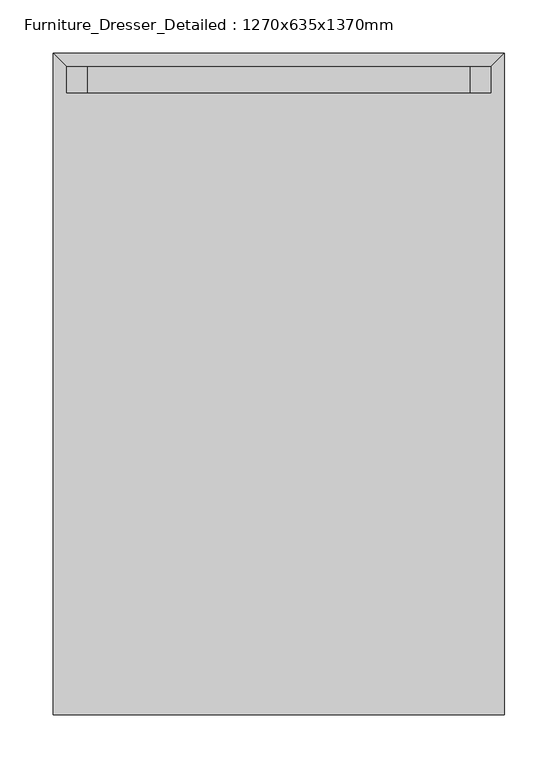
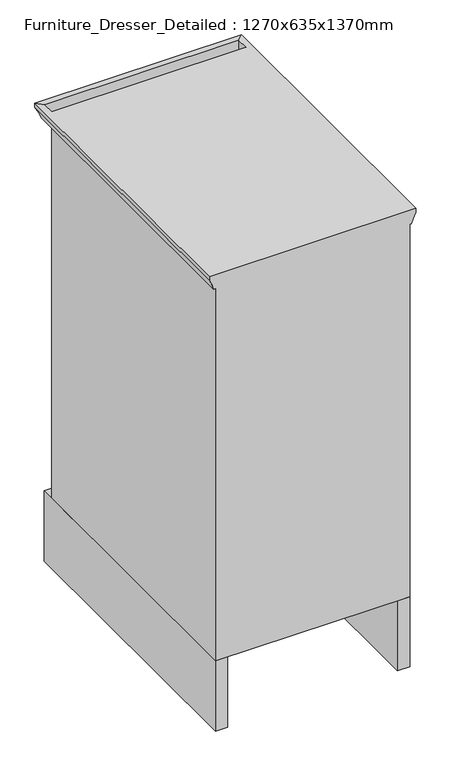
"""IFC4 building model written with IfcOpenShell, lengths in millimetres: furniture geometry, Furniture_Dresser_Detailed : 1270x635x1370mm."""

from ifc_helpers import new_model, si_unit, frame, origin, place, context, project, spatial, polyline, circle_curve, ellipse_curve, outline, extrude, source, transform, mapped, element, save
from ifc_brep_helpers import plane_surface, revolved_surface, advanced_brep


def furniture_dresser_detailed_1270x635x1370mm_f08d7640(model_context):
    return source(origin(), model_context, "Body", "SolidModel", [
        advanced_brep(
        [(-212.3783496, 0.0, 991.6), (-212.3783496, 0.0, 983.1382253), (-203.5695396, 0.0, 961.050287), (-200.0, 0.0, 961.050287), (-200.0, 0.0, 152.4), (200.0, 0.0, 152.4), (200.0, 0.0, 961.050287), (203.5695396, 0.0, 961.050287), (212.3783496, 0.0, 983.1382253), (212.3783496, 0.0, 991.6), (212.3783496, 621.9783496, 991.6), (200.0, 609.6, 991.6), (200.0, 584.2, 991.6), (-200.0, 584.2, 991.6), (-200.0, 609.6, 991.6), (-212.3783496, 621.9783496, 991.6), (200.0, 584.2, 961.050287), (200.0, 609.6, 961.050287), (203.5695396, 613.1695396, 961.050287), (212.3783496, 621.9783496, 983.1382253), (-200.0, 609.6, 961.050287), (-203.5695396, 613.1695396, 961.050287), (-212.3783496, 621.9783496, 983.1382253), (-200.0, 584.2, 961.050287), (200.0, 584.2, 152.4), (-200.0, 584.2, 152.4)],
        [
            (0, 1),
            (1, 2, circle_curve(frame((-274.4164439, 0.0, 945.5965655), z_axis=(0.0, 1.0, 0.0), x_axis=(1.0, 0.0, 0.0)), 72.5127669)),
            (2, 3),
            (3, 4),
            (4, 5),
            (5, 6),
            (6, 7),
            (7, 8, circle_curve(frame((274.4164439, 0.0, 945.5965655), z_axis=(0.0, 1.0, 0.0), x_axis=(-1.0, 0.0, 0.0)), 72.5127669)),
            (8, 9),
            (9, 0),
            (9, 10),
            (10, 11),
            (11, 12),
            (12, 13),
            (13, 14),
            (14, 15),
            (15, 0),
            (6, 16),
            (16, 17),
            (17, 18),
            (18, 7),
            (18, 19, ellipse_curve(frame((274.4164439, 684.0164439, 945.5965655), z_axis=(-0.7071067811865475, 0.7071067811865475, 0.0), x_axis=(0.7071067811865474, 0.7071067811865476, 0.0)), 102.5485383, 72.5127669)),
            (19, 8),
            (19, 10),
            (17, 20),
            (20, 21),
            (21, 18),
            (21, 22, ellipse_curve(frame((-274.4164439, 684.0164439, 945.5965655), z_axis=(-0.7071067811865475, -0.7071067811865475, 0.0), x_axis=(-0.7071067811865476, 0.7071067811865474, 0.0)), 102.5485383, 72.5127669)),
            (22, 19),
            (22, 15),
            (15, 10),
            (20, 23),
            (23, 3),
            (2, 21),
            (1, 22),
            (24, 5),
            (4, 25),
            (25, 24),
            (12, 16),
            (16, 24),
            (25, 23),
            (23, 13),
            (11, 17),
            (14, 11),
            (14, 20),
        ],
        [
            plane_surface(frame((132.4987032, 0.0, 991.6), z_axis=(0.0, -1.0, 0.0), x_axis=(0.0, 0.0, 1.0))),
            plane_surface(frame((212.3783496, 0.0, 991.6), z_axis=(0.0, 0.0, 1.0), x_axis=(0.0, 1.0, 0.0))),
            plane_surface(frame((200.0, 0.0, 961.050287), z_axis=(0.0, 0.0, -1.0), x_axis=(0.0, 1.0, 0.0))),
            revolved_surface(polyline([(201.903677, 756.5292107326984, 945.5965655), (201.903677, 0.0, 945.5965655)]), (274.4164439, 0.0, 945.5965655), (0.0, 1.0, 0.0)),
            plane_surface(frame((212.3783496, 0.0, 983.1382253), z_axis=(1.0, 0.0, 0.0), x_axis=(0.0, 1.0, 0.0))),
            plane_surface(frame((200.0, 609.6, 961.050287), z_axis=(0.0, 0.0, -1.0), x_axis=(-1.0, 0.0, 0.0))),
            revolved_surface(polyline([(-346.9292107326984, 611.503677, 945.5965655), (346.9292107326984, 611.503677, 945.5965655)]), (174.6, 684.0164439, 945.5965655), (-1.0, 0.0, 0.0)),
            plane_surface(frame((212.3783496, 621.9783496, 983.1382253), z_axis=(0.0, 1.0, 0.0), x_axis=(-1.0, 0.0, 0.0))),
            plane_surface(frame((-200.0, 609.6, 961.050287), z_axis=(0.0, 0.0, -1.0), x_axis=(0.0, -1.0, 0.0))),
            revolved_surface(polyline([(-201.903677, 0.0, 945.5965655), (-201.903677, 756.5292107326984, 945.5965655)]), (-274.4164439, 584.2, 945.5965655), (0.0, -1.0, 0.0)),
            plane_surface(frame((-212.3783496, 621.9783496, 983.1382253), z_axis=(-1.0, 0.0, 0.0), x_axis=(0.0, -1.0, 0.0))),
            plane_surface(frame((-584.2, 584.2, 152.4), z_axis=(0.0, 0.0, -1.0), x_axis=(1.0, 0.0, 0.0))),
            plane_surface(frame((200.0, 584.2, 991.6), z_axis=(0.0, 1.0, 0.0), x_axis=(0.0, 0.0, -1.0))),
            plane_surface(frame((-200.0, 584.2, 991.6), z_axis=(-1.0, 0.0, 0.0), x_axis=(0.0, 0.0, -1.0))),
            plane_surface(frame((200.0, 0.0, 991.6), z_axis=(1.0, 0.0, 0.0), x_axis=(0.0, 0.0, -1.0))),
            plane_surface(frame((200.0, 0.0, 991.6), z_axis=(-1.0, 0.0, 0.0), x_axis=(0.0, 1.0, 0.0))),
            plane_surface(frame((212.3783496, 621.9783496, 991.6), z_axis=(0.0, 0.0, 1.0), x_axis=(-1.0, 0.0, 0.0))),
            plane_surface(frame((200.0, 609.6, 991.6), z_axis=(0.0, -1.0, 0.0), x_axis=(-1.0, 0.0, 0.0))),
            plane_surface(frame((-200.0, 609.6, 991.6), z_axis=(1.0, 0.0, 0.0), x_axis=(0.0, -1.0, 0.0))),
        ],
        [
            (0, [[1, 2, 3, 4, 5, 6, 7, 8, 9, 10]]),
            (1, [[-10, 11, 12, 13, 14, 15, 16, 17]]),
            (2, [[-7, 18, 19, 20, 21]]),
            (3, [[-8, -21, 22, 23]]),
            (4, [[-9, -23, 24, -11]]),
            (5, [[-20, 25, 26, 27]]),
            (6, [[-22, -27, 28, 29]]),
            (7, [[-24, -29, 30, 31]]),
            (8, [[-26, 32, 33, -3, 34]]),
            (9, [[-28, -34, -2, 35]]),
            (10, [[-30, -35, -1, -17]]),
            (11, [[36, -5, 37, 38]]),
            (12, [[-14, 39, 40, -38, 41, 42]]),
            (13, [[-37, -4, -33, -41]]),
            (14, [[-36, -40, -18, -6]]),
            (15, [[43, -19, -39, -13]]),
            (16, [[-12, -31, -16, 44]]),
            (17, [[-43, -44, 45, -25]]),
            (18, [[-45, -15, -42, -32]]),
        ],
    ),
        advanced_brep(
        [(-160.0, 584.2, 0.0), (160.0, 584.2, 0.0), (174.6, 584.2, 0.0), (174.6, 584.2, 152.4), (-174.6, 584.2, 152.4), (-174.6, 584.2, 0.0), (-200.0, 609.6, 152.4), (200.0, 609.6, 152.4), (200.0, 609.6, 0.0), (160.0, 609.6, 0.0), (-160.0, 609.6, 0.0), (-200.0, 609.6, 0.0), (-200.0, 0.0, 0.0), (-200.0, 0.0, 152.4), (-174.6, 0.0, 0.0), (200.0, 0.0, 152.4), (200.0, 0.0, 0.0), (-174.6, 0.0, 152.4), (174.6, 0.0, 152.4), (174.6, 0.0, 0.0)],
        [
            (0, 1, circle_curve(frame((0.0, 584.2, -98.9605084), z_axis=(0.0, 1.0, 0.0), x_axis=(1.0, 0.0, 0.0)), 188.1307583)),
            (1, 2),
            (2, 3),
            (3, 4),
            (4, 5),
            (5, 0),
            (6, 7),
            (7, 8),
            (8, 9),
            (9, 10, circle_curve(frame((0.0, 609.6, -98.9605084), z_axis=(0.0, -1.0, 0.0), x_axis=(1.0, 0.0, 0.0)), 188.1307583)),
            (10, 11),
            (11, 6),
            (11, 12),
            (12, 13),
            (13, 6),
            (10, 0),
            (5, 14),
            (14, 12),
            (7, 15),
            (15, 16),
            (16, 8),
            (13, 17),
            (17, 4),
            (3, 18),
            (18, 15),
            (17, 14),
            (2, 19),
            (19, 18),
            (19, 16),
            (9, 1),
        ],
        [
            plane_surface(frame((-200.0, 584.2, 0.0), z_axis=(0.0, -1.0, 0.0), x_axis=(0.0, 0.0, -1.0))),
            plane_surface(frame((-200.0, 609.6, 0.0), z_axis=(0.0, 1.0, 0.0), x_axis=(0.0, 0.0, 1.0))),
            plane_surface(frame((-200.0, 584.2, 152.4), z_axis=(-1.0, 0.0, 0.0), x_axis=(0.0, 1.0, 0.0))),
            plane_surface(frame((-200.0, 584.2, 0.0), z_axis=(0.0, 0.0, -1.0), x_axis=(0.0, 1.0, 0.0))),
            plane_surface(frame((200.0, 584.2, 0.0), z_axis=(1.0, 0.0, 0.0), x_axis=(0.0, 1.0, 0.0))),
            plane_surface(frame((200.0, 584.2, 152.4), z_axis=(0.0, 0.0, 1.0), x_axis=(0.0, 1.0, 0.0))),
            plane_surface(frame((-174.6, 584.2, 152.4), z_axis=(1.0, 0.0, 0.0), x_axis=(0.0, -1.0, 0.0))),
            plane_surface(frame((-200.0, 0.0, 0.0), z_axis=(0.0, -1.0, 0.0), x_axis=(1.0, 0.0, 0.0))),
            plane_surface(frame((174.6, 584.2, 152.4), z_axis=(-1.0, 0.0, 0.0), x_axis=(0.0, 1.0, 0.0))),
            plane_surface(frame((174.6, 0.0, 0.0), z_axis=(0.0, -1.0, 0.0), x_axis=(1.0, 0.0, 0.0))),
            revolved_surface(polyline([(188.1307583, 609.6, -98.9605084), (188.1307583, 584.2, -98.9605084)]), (0.0, 609.6, -98.9605084), (0.0, 1.0, 0.0)),
            plane_surface(frame((160.0, 584.2, 0.0), z_axis=(0.0, 0.0, -1.0), x_axis=(0.0, 1.0, 0.0))),
        ],
        [
            (0, [[1, 2, 3, 4, 5, 6]]),
            (1, [[7, 8, 9, 10, 11, 12]]),
            (2, [[-12, 13, 14, 15]]),
            (3, [[-11, 16, -6, 17, 18, -13]]),
            (4, [[-8, 19, 20, 21]]),
            (5, [[-19, -7, -15, 22, 23, -4, 24, 25]]),
            (6, [[26, -17, -5, -23]]),
            (7, [[-14, -18, -26, -22]]),
            (8, [[-24, -3, 27, 28]]),
            (9, [[-28, 29, -20, -25]]),
            (10, [[-1, -16, -10, 30]]),
            (11, [[-9, -21, -29, -27, -2, -30]]),
        ],
    ),
        extrude(outline(polyline([(180.0, 584.2), (-180.0, 584.2), (-180.0, 609.6), (180.0, 609.6), (180.0, 584.2)])), frame((0.0, 0.0, 213.2), z_axis=(0.0, 0.0, 1.0), x_axis=(1.0, 0.0, 0.0)), (0.0, 0.0, 1.0), 156.8),
        extrude(outline(polyline([(180.0, 584.2), (-180.0, 584.2), (-180.0, 609.6), (180.0, 609.6), (180.0, 584.2)])), frame((0.0, 0.0, 396.7279586), z_axis=(0.0, 0.0, 1.0), x_axis=(1.0, 0.0, 0.0)), (0.0, 0.0, 1.0), 158.2720414),
        extrude(outline(polyline([(180.0, 584.2), (-180.0, 584.2), (-180.0, 609.6), (180.0, 609.6), (180.0, 584.2)])), frame((0.0, 0.0, 757.0483891), z_axis=(0.0, 0.0, 1.0), x_axis=(1.0, 0.0, 0.0)), (0.0, 0.0, 1.0), 152.9516109),
        extrude(outline(polyline([(180.0, 584.2), (-180.0, 584.2), (-180.0, 609.6), (180.0, 609.6), (180.0, 584.2)])), frame((0.0, 0.0, 579.9206325), z_axis=(0.0, 0.0, 1.0), x_axis=(1.0, 0.0, 0.0)), (0.0, 0.0, 1.0), 155.0793675),
    ])


if __name__ == "__main__":
    model = new_model("IFC4")
    model_context = context("Model", 3, world=origin())
    ifc_project = project(units=[si_unit("LENGTHUNIT", "METRE", prefix="MILLI")], contexts=[model_context])
    site = spatial("IfcSite", under=ifc_project)
    building = spatial("IfcBuilding", under=site)
    placement = place(None, origin())
    furniture_dresser_detailed_1270x635x1370mm_shape = furniture_dresser_detailed_1270x635x1370mm_f08d7640(model_context)
    element("IfcFurniture", 1, ObjectType="Furniture_Dresser_Detailed : 1270x635x1370mm", at=placement, inside=building, context=model_context, shape_type="MappedRepresentation", body=[
        mapped(furniture_dresser_detailed_1270x635x1370mm_shape, transform((0.0, 0.0, 0.0), x_axis=(1.0, 0.0, 0.0), y_axis=(0.0, 1.0, 0.0), z_axis=(0.0, 0.0, 1.0))),
    ])
    save(model, "model.ifc")
